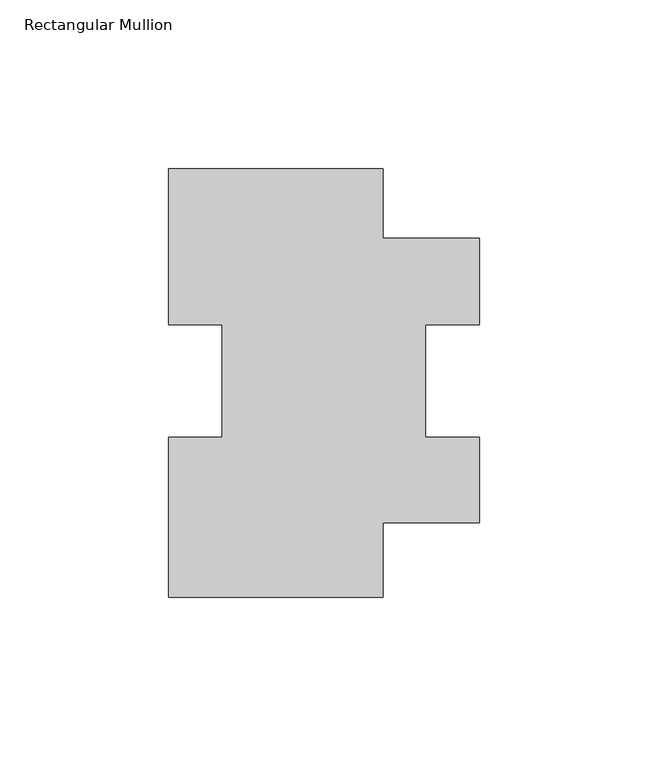
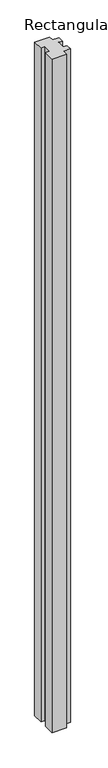
"""IFC4 building model written with IfcOpenShell, lengths in millimetres: member geometry, Rectangular Mullion."""

from ifc_helpers import new_model, si_unit, frame, origin, place, context, project, spatial, polyline, outline, extrude, source, transform, mapped, element, save


def rectangular_mullion_6f62fdd6(model_context):
    return source(origin(), model_context, "Body", "SweptSolid", [
        extrude(outline(polyline([(-28.5751068, -64.3019614), (-92.0750835, -64.3019614), (-92.0750835, -16.8429435), (-76.2000835, -16.8429435), (-76.2000835, 16.5440975), (-92.0750835, 16.5440975), (-92.0750835, 62.6980386), (-28.5751068, 62.6980386), (-28.5751068, 42.14943), (0.0, 42.14943), (0.0, 16.5154665), (-15.875, 16.5154665), (-15.875, -16.8475548), (0.0, -16.8475548), (0.0, -42.17857), (-28.5751068, -42.17857), (-28.5751068, -64.3019614)])), frame((0.0, 0.0, -3048.0), z_axis=(0.0, 0.0, 1.0), x_axis=(1.0, 0.0, 0.0)), (0.0, 0.0, 1.0), 3048.0),
    ])


if __name__ == "__main__":
    model = new_model("IFC4")
    model_context = context("Model", 3, world=origin())
    ifc_project = project(units=[si_unit("LENGTHUNIT", "METRE", prefix="MILLI")], contexts=[model_context])
    site = spatial("IfcSite", under=ifc_project)
    building = spatial("IfcBuilding", under=site)
    placement = place(None, origin())
    rectangular_mullion_shape = rectangular_mullion_6f62fdd6(model_context)
    element("IfcMember", 1, ObjectType="Rectangular Mullion", at=placement, inside=building, context=model_context, shape_type="MappedRepresentation", body=[
        mapped(rectangular_mullion_shape, transform((0.0, 0.0, 0.0), x_axis=(1.0, 0.0, 0.0), y_axis=(0.0, 1.0, 0.0), z_axis=(0.0, 0.0, 1.0))),
    ])
    save(model, "model.ifc")
